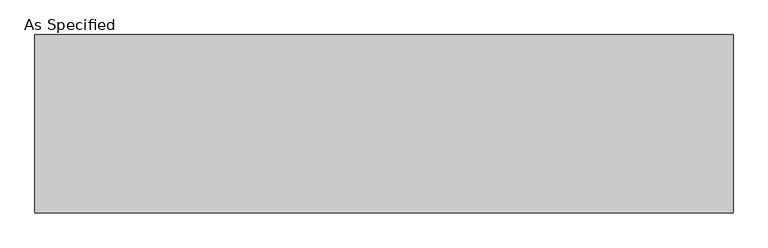
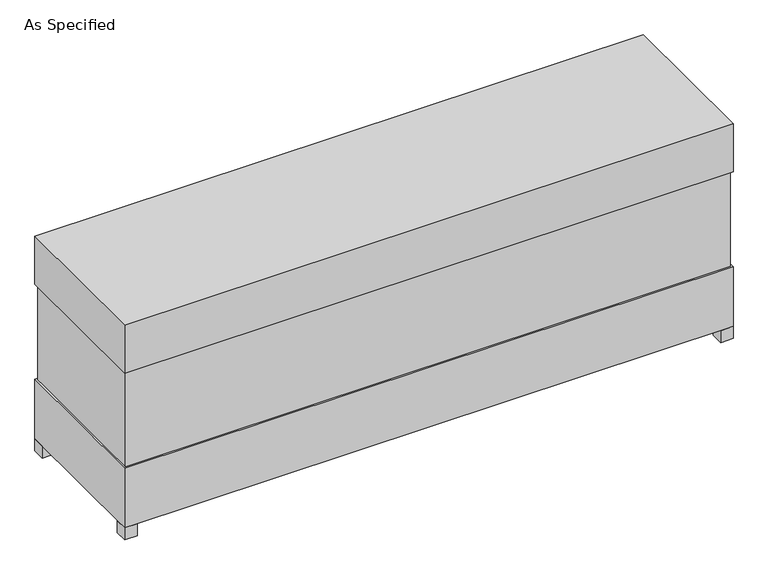
"""IFC4 building model written with IfcOpenShell, lengths in millimetres: proxy geometry, As Specified."""

from ifc_helpers import new_model, si_unit, frame, origin, origin_with_axes, place, context, project, spatial, polyline, outline, extrude, source, transform, mapped, element, save


def as_specified_ccf93d52(model_context):
    return source(origin(), model_context, "Body", "SweptSolid", [
        extrude(outline(polyline([(1830.3875, 458.7875), (1830.3875, -458.7875), (-1830.3875, -458.7875), (-1830.3875, 458.7875), (1830.3875, 458.7875)])), frame((0.0, 0.0, 457.2), z_axis=(0.0, 0.0, 1.0), x_axis=(1.0, 0.0, 0.0)), (0.0, 0.0, 1.0), 609.6),
        extrude(outline(polyline([(1841.5, 469.9), (1841.5, -469.9), (-1841.5, -469.9), (-1841.5, 469.9), (1841.5, 469.9)])), frame((0.0, 0.0, 1066.8), z_axis=(0.0, 0.0, 1.0), x_axis=(1.0, 0.0, 0.0)), (0.0, 0.0, 1.0), 304.8),
        extrude(outline(polyline([(1727.2, 254.0), (1727.2, 177.8), (1651.0, 177.8), (1651.0, 254.0), (1727.2, 254.0)])), frame((0.0, 0.0, 50.8), z_axis=(0.0, 0.0, 1.0), x_axis=(1.0, 0.0, 0.0)), (0.0, 0.0, 1.0), 25.4),
        extrude(outline(polyline([(1727.2, -177.8), (1727.2, -254.0), (1651.0, -254.0), (1651.0, -177.8), (1727.2, -177.8)])), frame((0.0, 0.0, 50.8), z_axis=(0.0, 0.0, 1.0), x_axis=(1.0, 0.0, 0.0)), (0.0, 0.0, 1.0), 25.4),
        extrude(outline(polyline([(-1765.3, 469.9), (-1765.3, 393.7), (-1841.5, 393.7), (-1841.5, 469.9), (-1765.3, 469.9)])), origin_with_axes(), (0.0, 0.0, 1.0), 76.2),
        extrude(outline(polyline([(1841.5, 469.9), (1841.5, 393.7), (1765.3, 393.7), (1765.3, 469.9), (1841.5, 469.9)])), origin_with_axes(), (0.0, 0.0, 1.0), 76.2),
        extrude(outline(polyline([(1841.5, -393.7), (1841.5, -469.9), (1765.3, -469.9), (1765.3, -393.7), (1841.5, -393.7)])), origin_with_axes(), (0.0, 0.0, 1.0), 76.2),
        extrude(outline(polyline([(-1765.3, -393.7), (-1765.3, -469.9), (-1841.5, -469.9), (-1841.5, -393.7), (-1765.3, -393.7)])), origin_with_axes(), (0.0, 0.0, 1.0), 76.2),
        extrude(outline(polyline([(1841.5, 469.9), (1841.5, -469.9), (-1841.5, -469.9), (-1841.5, 469.9), (1841.5, 469.9)])), frame((0.0, 0.0, 76.2), z_axis=(0.0, 0.0, 1.0), x_axis=(1.0, 0.0, 0.0)), (0.0, 0.0, 1.0), 381.0),
    ])


if __name__ == "__main__":
    model = new_model("IFC4")
    model_context = context("Model", 3, world=origin())
    ifc_project = project(units=[si_unit("LENGTHUNIT", "METRE", prefix="MILLI")], contexts=[model_context])
    site = spatial("IfcSite", under=ifc_project)
    building = spatial("IfcBuilding", under=site)
    placement = place(None, origin())
    as_specified_shape = as_specified_ccf93d52(model_context)
    element("IfcBuildingElementProxy", 1, Name="As Specified", ObjectType="As Specified", at=placement, inside=building, context=model_context, shape_type="MappedRepresentation", body=[
        mapped(as_specified_shape, transform((0.0, 0.0, 0.0), x_axis=(1.0, 0.0, 0.0), y_axis=(0.0, 1.0, 0.0), z_axis=(0.0, 0.0, 1.0))),
    ])
    save(model, "model.ifc")
